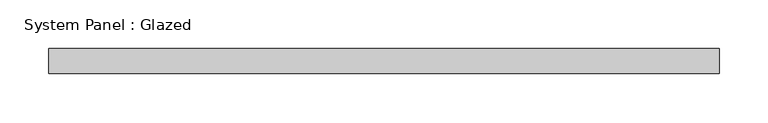
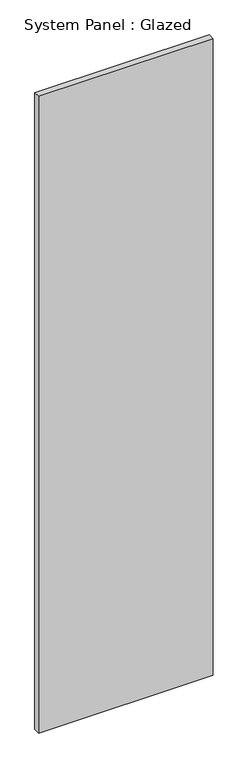
"""IFC4 building model written with IfcOpenShell, lengths in millimetres: plate geometry, System Panel : Glazed."""

import ifcopenshell
import ifcopenshell.guid

model = None  # the IFC model being written
_history = None  # IfcOwnerHistory: only IFC2X3 demands one
_inside = {}  # id of a spatial element -> (the spatial element, [elements in it])
_under = {}  # id of a project, library or spatial element -> (it, [spatial elements below it])
_declared = {}  # id of a project -> (the project, [libraries it declares])
_typed = {}  # id of a type object -> (the type object, [elements of that type])
_made_of = {}  # id of a material, layer set ... -> (it, [elements and type objects made of it])


def new_model(schema):
    """Start an empty IFC model of exactly this schema.

    Asked for "IFC4X3", IfcOpenShell would pick the latest addendum, in which some entities
    have other attributes; the version numbers below select the first issue.
    IFC2X3 requires an IfcOwnerHistory on every rooted entity: one is made here for all.
    """
    global model, _history
    if schema == "IFC4X3":
        model = ifcopenshell.file(schema_version=(4, 3, 0, 0))
    else:
        model = ifcopenshell.file(schema=schema)
    _inside.clear()
    _under.clear()
    _declared.clear()
    _typed.clear()
    _made_of.clear()
    _history = None
    if model.schema == "IFC2X3":
        org = make("IfcOrganization", Name="unknown")
        user = make(
            "IfcPersonAndOrganization",
            ThePerson=make("IfcPerson", FamilyName="unknown"),
            TheOrganization=org,
        )
        app = make(
            "IfcApplication",
            ApplicationDeveloper=org,
            Version="unknown",
            ApplicationFullName="unknown",
            ApplicationIdentifier="unknown",
        )
        _history = make(
            "IfcOwnerHistory",
            OwningUser=user,
            OwningApplication=app,
            ChangeAction="ADDED",
            CreationDate=0,
        )
    return model


def make(cls, **values):
    """One entity of the class cls with the attributes given. An attribute that is None is left unset."""
    return model.create_entity(
        cls, **{name: value for name, value in values.items() if value is not None}
    )


def rooted(cls, **values):
    """An entity with a GlobalId (a new one), such as an element, a storey or a relation."""
    return make(cls, GlobalId=ifcopenshell.guid.new(), OwnerHistory=_history, **values)


def si_unit(unit_type, name, prefix=None):
    """IfcSIUnit, for example si_unit("LENGTHUNIT", "METRE", prefix="MILLI")."""
    return make("IfcSIUnit", UnitType=unit_type, Prefix=prefix, Name=name)


def assignment(units):
    """IfcUnitAssignment: the units of a project."""
    return None if units is None else make("IfcUnitAssignment", Units=units)


def point(xyz):
    """IfcCartesianPoint."""
    return None if xyz is None else make("IfcCartesianPoint", Coordinates=xyz)


def direction(xyz):
    """IfcDirection."""
    return None if xyz is None else make("IfcDirection", DirectionRatios=xyz)


def frame(location, z_axis=None, x_axis=None):
    """IfcAxis2Placement3D, a coordinate frame: its origin and axes. An axis left out is left unset."""
    return make(
        "IfcAxis2Placement3D",
        Location=point(location),
        Axis=direction(z_axis),
        RefDirection=direction(x_axis),
    )


def origin():
    """The frame at (0, 0, 0) with its axes left unset."""
    return frame((0.0, 0.0, 0.0))


def origin_with_axes():
    """The frame at (0, 0, 0) with the z axis (0, 0, 1) and the x axis (1, 0, 0) written out."""
    return frame((0.0, 0.0, 0.0), z_axis=(0.0, 0.0, 1.0), x_axis=(1.0, 0.0, 0.0))


def place(relative_to, where):
    """IfcLocalPlacement: puts the frame where relative to a parent placement (None: the world)."""
    return make(
        "IfcLocalPlacement", PlacementRelTo=relative_to, RelativePlacement=where
    )


def context(
    kind, dimensions, precision=None, world=None, true_north=None, identifier=None
):
    """IfcGeometricRepresentationContext, for example the 3D "Model" context."""
    return make(
        "IfcGeometricRepresentationContext",
        ContextIdentifier=identifier,
        ContextType=kind,
        CoordinateSpaceDimension=dimensions,
        Precision=precision,
        WorldCoordinateSystem=world,
        TrueNorth=true_north,
    )


def project(units=None, contexts=None):
    """IfcProject with its units and contexts."""
    return rooted(
        "IfcProject",
        Name="project",
        RepresentationContexts=contexts,
        UnitsInContext=assignment(units),
    )


def spatial(cls, under=None, at=None, **own):
    """A site, building, storey or space (cls), placed at a placement, below another one or the project."""
    s = rooted(cls, ObjectPlacement=at, **own)
    if under is not None:
        _under.setdefault(under.id(), (under, []))[1].append(s)
    return s


def polyline(points):
    """IfcPolyline through the points."""
    return make("IfcPolyline", Points=[point(p) for p in points])


def outline(outer, holes=None, kind="AREA"):
    """IfcArbitraryClosedProfileDef: a profile drawn as a closed curve; with holes, ...WithVoids."""
    if holes is None:
        return make("IfcArbitraryClosedProfileDef", ProfileType=kind, OuterCurve=outer)
    return make(
        "IfcArbitraryProfileDefWithVoids",
        ProfileType=kind,
        OuterCurve=outer,
        InnerCurves=holes,
    )


def extrude(swept, where, along, depth):
    """IfcExtrudedAreaSolid: the profile swept, set in the frame where, extruded along a direction by depth."""
    return make(
        "IfcExtrudedAreaSolid",
        SweptArea=swept,
        Position=where,
        ExtrudedDirection=direction(along),
        Depth=depth,
    )


def shape(context_of_items, identifier, shape_type, items):
    """IfcShapeRepresentation: the items that make up one representation, for example the "Body"."""
    return make(
        "IfcShapeRepresentation",
        ContextOfItems=context_of_items,
        RepresentationIdentifier=identifier,
        RepresentationType=shape_type,
        Items=items,
    )


def source(mapping_origin, context_of_items, identifier, shape_type, items):
    """IfcRepresentationMap: a shape defined once, which mapped items show again and again."""
    return make(
        "IfcRepresentationMap",
        MappingOrigin=mapping_origin,
        MappedRepresentation=shape(context_of_items, identifier, shape_type, items),
    )


def transform(
    local_origin,
    x_axis=None,
    y_axis=None,
    z_axis=None,
    scale=None,
    scale2=None,
    scale3=None,
    uniform=True,
):
    """IfcCartesianTransformationOperator3D, or its non-uniform kind. x_axis, y_axis, z_axis: its Axis1, 2, 3."""
    if uniform:
        return make(
            "IfcCartesianTransformationOperator3D",
            Axis1=direction(x_axis),
            Axis2=direction(y_axis),
            LocalOrigin=point(local_origin),
            Scale=scale,
            Axis3=direction(z_axis),
        )
    return make(
        "IfcCartesianTransformationOperator3DnonUniform",
        Axis1=direction(x_axis),
        Axis2=direction(y_axis),
        LocalOrigin=point(local_origin),
        Scale=scale,
        Axis3=direction(z_axis),
        Scale2=scale2,
        Scale3=scale3,
    )


def mapped(mapping_source, mapping_target):
    """IfcMappedItem: shows the shape of a source again, moved by a transform."""
    return make(
        "IfcMappedItem", MappingSource=mapping_source, MappingTarget=mapping_target
    )


def made_of(thing, what):
    """Note that an element or type object is made of a material, layer set ...; save() writes the relation."""
    if what is not None:
        _made_of.setdefault(what.id(), (what, []))[1].append(thing)
    return thing


def element(
    cls,
    number,
    at=None,
    inside=None,
    cuts=None,
    type_object=None,
    material=None,
    context=None,
    identifier="Body",
    shape_type=None,
    held_by="IfcProductDefinitionShape",
    body=None,
    shapes=None,
    **own,
):
    """One element of the class cls, such as IfcWall. Its Tag is "e" and its number.

    at: its placement. inside: the storey or other place that contains it. cuts: it is an
    opening in that element (IfcRelVoidsElement). A single representation is given by context,
    identifier, shape_type and body (its items); several are given by shapes. held_by: the class
    of the entity that holds the representations. save() writes the other relations.
    """
    e = rooted(cls, Tag="e%d" % number, ObjectPlacement=at, **own)
    if body is not None:
        shapes = [shape(context, identifier, shape_type, body)]
    if shapes is not None:
        e.Representation = make(held_by, Representations=shapes)
    if inside is not None:
        _inside.setdefault(inside.id(), (inside, []))[1].append(e)
    if cuts is not None:
        rooted(
            "IfcRelVoidsElement", RelatingBuildingElement=cuts, RelatedOpeningElement=e
        )
    if type_object is not None:
        _typed.setdefault(type_object.id(), (type_object, []))[1].append(e)
    return made_of(e, material)


def aggregate(whole, parts):
    """IfcRelAggregates: a whole, such as a stair, and the parts it consists of."""
    return rooted("IfcRelAggregates", RelatingObject=whole, RelatedObjects=parts)


def save(model, path):
    """Write the relations noted so far, then the file.

    IfcRelAggregates (storeys below a building ...), IfcRelContainedInSpatialStructure (elements
    in a storey), IfcRelDefinesByType, IfcRelAssociatesMaterial and IfcRelDeclares: one each for
    every whole, place, type object, material and project.
    """
    for whole, parts in _under.values():
        aggregate(whole, parts)
    for where, things in _inside.values():
        rooted(
            "IfcRelContainedInSpatialStructure",
            RelatedElements=things,
            RelatingStructure=where,
        )
    for kind, things in _typed.values():
        rooted("IfcRelDefinesByType", RelatedObjects=things, RelatingType=kind)
    for what, things in _made_of.values():
        rooted("IfcRelAssociatesMaterial", RelatedObjects=things, RelatingMaterial=what)
    for by, libraries in _declared.values():
        rooted("IfcRelDeclares", RelatingContext=by, RelatedDefinitions=libraries)
    model.write(path)


def system_panel_glazed_cbbd17c2(model_context):
    return source(origin(), model_context, "Body", "SweptSolid", [
        extrude(outline(polyline([(342.9, 19.05), (-342.9, 19.05), (-342.9, 44.45), (342.9, 44.45), (342.9, 19.05)])), origin_with_axes(), (0.0, 0.0, 1.0), 2641.6),
    ])


if __name__ == "__main__":
    model = new_model("IFC4")
    model_context = context("Model", 3, world=origin())
    ifc_project = project(units=[si_unit("LENGTHUNIT", "METRE", prefix="MILLI")], contexts=[model_context])
    site = spatial("IfcSite", under=ifc_project)
    building = spatial("IfcBuilding", under=site)
    placement = place(None, origin())
    system_panel_glazed_shape = system_panel_glazed_cbbd17c2(model_context)
    element("IfcPlate", 1, ObjectType="System Panel : Glazed", at=placement, inside=building, context=model_context, shape_type="MappedRepresentation", body=[
        mapped(system_panel_glazed_shape, transform((0.0, 0.0, 0.0), x_axis=(1.0, 0.0, 0.0), y_axis=(0.0, 1.0, 0.0), z_axis=(0.0, 0.0, 1.0))),
    ])
    save(model, "model.ifc")
